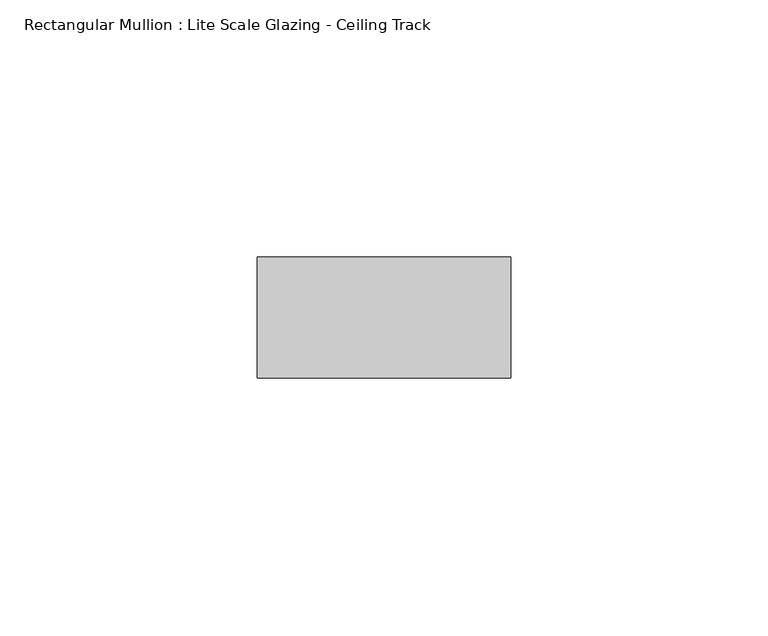
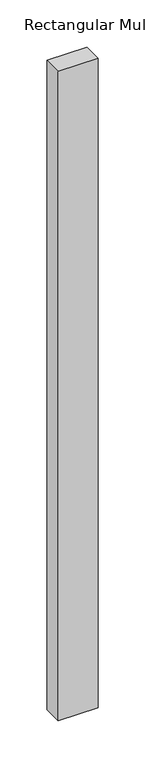
"""IFC4 building model written with IfcOpenShell, lengths in millimetres: member geometry, Rectangular Mullion : Lite Scale Glazing - Ceiling Track."""

import ifcopenshell
import ifcopenshell.guid

model = None  # the IFC model being written
_history = None  # IfcOwnerHistory: only IFC2X3 demands one
_inside = {}  # id of a spatial element -> (the spatial element, [elements in it])
_under = {}  # id of a project, library or spatial element -> (it, [spatial elements below it])
_declared = {}  # id of a project -> (the project, [libraries it declares])
_typed = {}  # id of a type object -> (the type object, [elements of that type])
_made_of = {}  # id of a material, layer set ... -> (it, [elements and type objects made of it])


def new_model(schema):
    """Start an empty IFC model of exactly this schema.

    Asked for "IFC4X3", IfcOpenShell would pick the latest addendum, in which some entities
    have other attributes; the version numbers below select the first issue.
    IFC2X3 requires an IfcOwnerHistory on every rooted entity: one is made here for all.
    """
    global model, _history
    if schema == "IFC4X3":
        model = ifcopenshell.file(schema_version=(4, 3, 0, 0))
    else:
        model = ifcopenshell.file(schema=schema)
    _inside.clear()
    _under.clear()
    _declared.clear()
    _typed.clear()
    _made_of.clear()
    _history = None
    if model.schema == "IFC2X3":
        org = make("IfcOrganization", Name="unknown")
        user = make(
            "IfcPersonAndOrganization",
            ThePerson=make("IfcPerson", FamilyName="unknown"),
            TheOrganization=org,
        )
        app = make(
            "IfcApplication",
            ApplicationDeveloper=org,
            Version="unknown",
            ApplicationFullName="unknown",
            ApplicationIdentifier="unknown",
        )
        _history = make(
            "IfcOwnerHistory",
            OwningUser=user,
            OwningApplication=app,
            ChangeAction="ADDED",
            CreationDate=0,
        )
    return model


def make(cls, **values):
    """One entity of the class cls with the attributes given. An attribute that is None is left unset."""
    return model.create_entity(
        cls, **{name: value for name, value in values.items() if value is not None}
    )


def rooted(cls, **values):
    """An entity with a GlobalId (a new one), such as an element, a storey or a relation."""
    return make(cls, GlobalId=ifcopenshell.guid.new(), OwnerHistory=_history, **values)


def si_unit(unit_type, name, prefix=None):
    """IfcSIUnit, for example si_unit("LENGTHUNIT", "METRE", prefix="MILLI")."""
    return make("IfcSIUnit", UnitType=unit_type, Prefix=prefix, Name=name)


def assignment(units):
    """IfcUnitAssignment: the units of a project."""
    return None if units is None else make("IfcUnitAssignment", Units=units)


def point(xyz):
    """IfcCartesianPoint."""
    return None if xyz is None else make("IfcCartesianPoint", Coordinates=xyz)


def direction(xyz):
    """IfcDirection."""
    return None if xyz is None else make("IfcDirection", DirectionRatios=xyz)


def frame(location, z_axis=None, x_axis=None):
    """IfcAxis2Placement3D, a coordinate frame: its origin and axes. An axis left out is left unset."""
    return make(
        "IfcAxis2Placement3D",
        Location=point(location),
        Axis=direction(z_axis),
        RefDirection=direction(x_axis),
    )


def origin():
    """The frame at (0, 0, 0) with its axes left unset."""
    return frame((0.0, 0.0, 0.0))


def place(relative_to, where):
    """IfcLocalPlacement: puts the frame where relative to a parent placement (None: the world)."""
    return make(
        "IfcLocalPlacement", PlacementRelTo=relative_to, RelativePlacement=where
    )


def context(
    kind, dimensions, precision=None, world=None, true_north=None, identifier=None
):
    """IfcGeometricRepresentationContext, for example the 3D "Model" context."""
    return make(
        "IfcGeometricRepresentationContext",
        ContextIdentifier=identifier,
        ContextType=kind,
        CoordinateSpaceDimension=dimensions,
        Precision=precision,
        WorldCoordinateSystem=world,
        TrueNorth=true_north,
    )


def project(units=None, contexts=None):
    """IfcProject with its units and contexts."""
    return rooted(
        "IfcProject",
        Name="project",
        RepresentationContexts=contexts,
        UnitsInContext=assignment(units),
    )


def spatial(cls, under=None, at=None, **own):
    """A site, building, storey or space (cls), placed at a placement, below another one or the project."""
    s = rooted(cls, ObjectPlacement=at, **own)
    if under is not None:
        _under.setdefault(under.id(), (under, []))[1].append(s)
    return s


def polyline(points):
    """IfcPolyline through the points."""
    return make("IfcPolyline", Points=[point(p) for p in points])


def outline(outer, holes=None, kind="AREA"):
    """IfcArbitraryClosedProfileDef: a profile drawn as a closed curve; with holes, ...WithVoids."""
    if holes is None:
        return make("IfcArbitraryClosedProfileDef", ProfileType=kind, OuterCurve=outer)
    return make(
        "IfcArbitraryProfileDefWithVoids",
        ProfileType=kind,
        OuterCurve=outer,
        InnerCurves=holes,
    )


def extrude(swept, where, along, depth):
    """IfcExtrudedAreaSolid: the profile swept, set in the frame where, extruded along a direction by depth."""
    return make(
        "IfcExtrudedAreaSolid",
        SweptArea=swept,
        Position=where,
        ExtrudedDirection=direction(along),
        Depth=depth,
    )


def shape(context_of_items, identifier, shape_type, items):
    """IfcShapeRepresentation: the items that make up one representation, for example the "Body"."""
    return make(
        "IfcShapeRepresentation",
        ContextOfItems=context_of_items,
        RepresentationIdentifier=identifier,
        RepresentationType=shape_type,
        Items=items,
    )


def source(mapping_origin, context_of_items, identifier, shape_type, items):
    """IfcRepresentationMap: a shape defined once, which mapped items show again and again."""
    return make(
        "IfcRepresentationMap",
        MappingOrigin=mapping_origin,
        MappedRepresentation=shape(context_of_items, identifier, shape_type, items),
    )


def transform(
    local_origin,
    x_axis=None,
    y_axis=None,
    z_axis=None,
    scale=None,
    scale2=None,
    scale3=None,
    uniform=True,
):
    """IfcCartesianTransformationOperator3D, or its non-uniform kind. x_axis, y_axis, z_axis: its Axis1, 2, 3."""
    if uniform:
        return make(
            "IfcCartesianTransformationOperator3D",
            Axis1=direction(x_axis),
            Axis2=direction(y_axis),
            LocalOrigin=point(local_origin),
            Scale=scale,
            Axis3=direction(z_axis),
        )
    return make(
        "IfcCartesianTransformationOperator3DnonUniform",
        Axis1=direction(x_axis),
        Axis2=direction(y_axis),
        LocalOrigin=point(local_origin),
        Scale=scale,
        Axis3=direction(z_axis),
        Scale2=scale2,
        Scale3=scale3,
    )


def mapped(mapping_source, mapping_target):
    """IfcMappedItem: shows the shape of a source again, moved by a transform."""
    return make(
        "IfcMappedItem", MappingSource=mapping_source, MappingTarget=mapping_target
    )


def made_of(thing, what):
    """Note that an element or type object is made of a material, layer set ...; save() writes the relation."""
    if what is not None:
        _made_of.setdefault(what.id(), (what, []))[1].append(thing)
    return thing


def element(
    cls,
    number,
    at=None,
    inside=None,
    cuts=None,
    type_object=None,
    material=None,
    context=None,
    identifier="Body",
    shape_type=None,
    held_by="IfcProductDefinitionShape",
    body=None,
    shapes=None,
    **own,
):
    """One element of the class cls, such as IfcWall. Its Tag is "e" and its number.

    at: its placement. inside: the storey or other place that contains it. cuts: it is an
    opening in that element (IfcRelVoidsElement). A single representation is given by context,
    identifier, shape_type and body (its items); several are given by shapes. held_by: the class
    of the entity that holds the representations. save() writes the other relations.
    """
    e = rooted(cls, Tag="e%d" % number, ObjectPlacement=at, **own)
    if body is not None:
        shapes = [shape(context, identifier, shape_type, body)]
    if shapes is not None:
        e.Representation = make(held_by, Representations=shapes)
    if inside is not None:
        _inside.setdefault(inside.id(), (inside, []))[1].append(e)
    if cuts is not None:
        rooted(
            "IfcRelVoidsElement", RelatingBuildingElement=cuts, RelatedOpeningElement=e
        )
    if type_object is not None:
        _typed.setdefault(type_object.id(), (type_object, []))[1].append(e)
    return made_of(e, material)


def aggregate(whole, parts):
    """IfcRelAggregates: a whole, such as a stair, and the parts it consists of."""
    return rooted("IfcRelAggregates", RelatingObject=whole, RelatedObjects=parts)


def save(model, path):
    """Write the relations noted so far, then the file.

    IfcRelAggregates (storeys below a building ...), IfcRelContainedInSpatialStructure (elements
    in a storey), IfcRelDefinesByType, IfcRelAssociatesMaterial and IfcRelDeclares: one each for
    every whole, place, type object, material and project.
    """
    for whole, parts in _under.values():
        aggregate(whole, parts)
    for where, things in _inside.values():
        rooted(
            "IfcRelContainedInSpatialStructure",
            RelatedElements=things,
            RelatingStructure=where,
        )
    for kind, things in _typed.values():
        rooted("IfcRelDefinesByType", RelatedObjects=things, RelatingType=kind)
    for what, things in _made_of.values():
        rooted("IfcRelAssociatesMaterial", RelatedObjects=things, RelatingMaterial=what)
    for by, libraries in _declared.values():
        rooted("IfcRelDeclares", RelatingContext=by, RelatedDefinitions=libraries)
    model.write(path)


def rectangular_mullion_lite_scale_glazing_ceiling_track_c53bab00(model_context):
    return source(origin(), model_context, "Body", "SweptSolid", [
        extrude(outline(polyline([(-49.276, -11.7474999), (-49.276, 11.7474999), (0.0, 11.7474999), (0.0, -11.7474999), (-49.276, -11.7474999)])), frame((0.0, 0.0, -841.7123631), z_axis=(0.0, 0.0, 1.0), x_axis=(1.0, 0.0, 0.0)), (0.0, 0.0, 1.0), 841.7123631),
    ])


if __name__ == "__main__":
    model = new_model("IFC4")
    model_context = context("Model", 3, world=origin())
    ifc_project = project(units=[si_unit("LENGTHUNIT", "METRE", prefix="MILLI")], contexts=[model_context])
    site = spatial("IfcSite", under=ifc_project)
    building = spatial("IfcBuilding", under=site)
    placement = place(None, origin())
    rectangular_mullion_lite_scale_glazing_ceiling_track_shape = rectangular_mullion_lite_scale_glazing_ceiling_track_c53bab00(model_context)
    element("IfcMember", 1, ObjectType="Rectangular Mullion : Lite Scale Glazing - Ceiling Track", at=placement, inside=building, context=model_context, shape_type="MappedRepresentation", body=[
        mapped(rectangular_mullion_lite_scale_glazing_ceiling_track_shape, transform((0.0, 0.0, 0.0), x_axis=(1.0, 0.0, 0.0), y_axis=(0.0, 1.0, 0.0), z_axis=(0.0, 0.0, 1.0))),
    ])
    save(model, "model.ifc")
